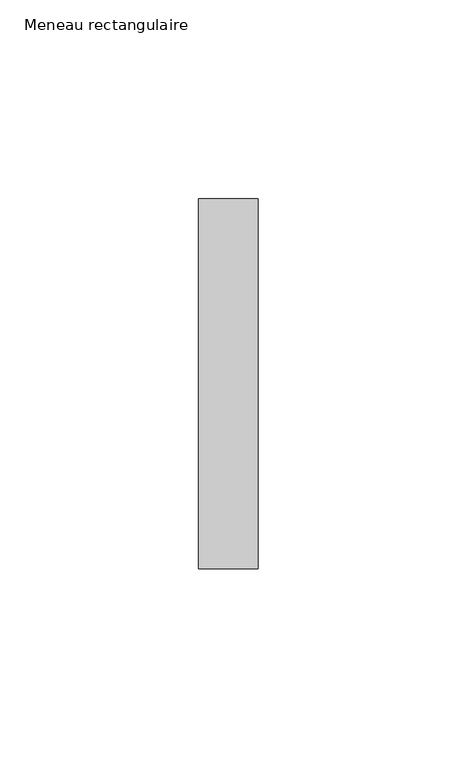
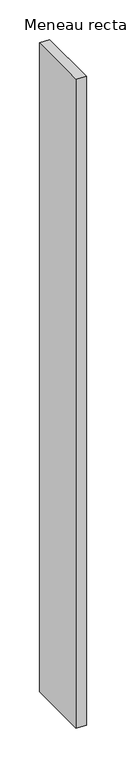
"""IFC4 building model written with IfcOpenShell, lengths in millimetres: member geometry, Meneau rectangulaire."""

from ifc_helpers import new_model, si_unit, frame, origin, place, context, project, spatial, polyline, outline, extrude, source, transform, mapped, element, save


def meneau_rectangulaire_632df1a1(model_context):
    return source(origin(), model_context, "Body", "SweptSolid", [
        extrude(outline(polyline([(0.0, 46.5), (0.0, -46.5), (-15.0, -46.5), (-15.0, 46.5), (0.0, 46.5)])), frame((0.0, 0.0, -1002.8830686), z_axis=(0.0, 0.0, 1.0), x_axis=(1.0, 0.0, 0.0)), (0.0, 0.0, 1.0), 1002.8830686),
    ])


if __name__ == "__main__":
    model = new_model("IFC4")
    model_context = context("Model", 3, world=origin())
    ifc_project = project(units=[si_unit("LENGTHUNIT", "METRE", prefix="MILLI")], contexts=[model_context])
    site = spatial("IfcSite", under=ifc_project)
    building = spatial("IfcBuilding", under=site)
    placement = place(None, origin())
    meneau_rectangulaire_shape = meneau_rectangulaire_632df1a1(model_context)
    element("IfcMember", 1, ObjectType="Meneau rectangulaire", at=placement, inside=building, context=model_context, shape_type="MappedRepresentation", body=[
        mapped(meneau_rectangulaire_shape, transform((0.0, 0.0, 0.0), x_axis=(1.0, 0.0, 0.0), y_axis=(0.0, 1.0, 0.0), z_axis=(0.0, 0.0, 1.0))),
    ])
    save(model, "model.ifc")
